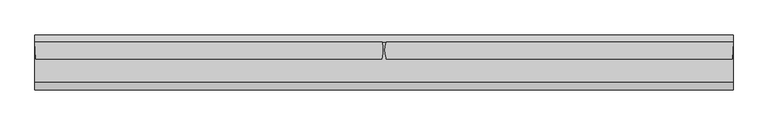
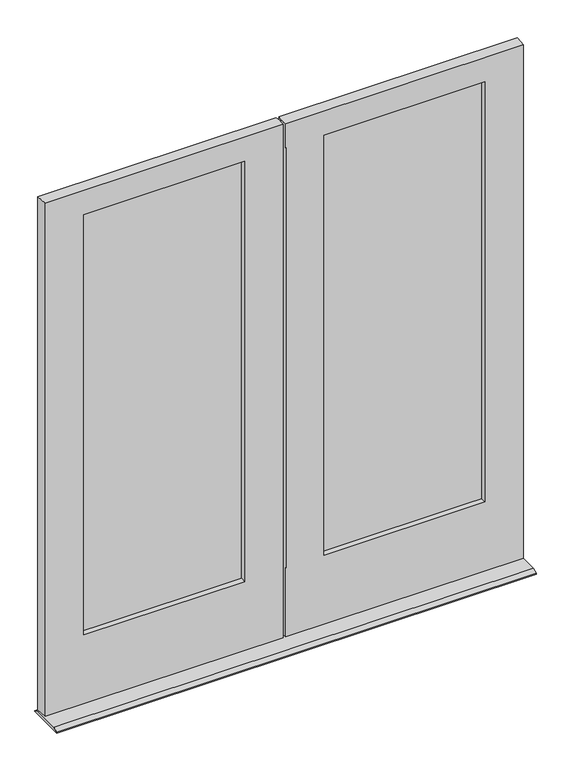
"""IFC4 building model written with IfcOpenShell, lengths in millimetres: plate geometry."""

from ifc_helpers import new_model, si_unit, frame, origin, place, context, project, spatial, polyline, circle_curve, outline, extrude, source, transform, mapped, element, save
from ifc_brep_helpers import plane_surface, cylinder_surface, advanced_brep


def plate_f8c03150(model_context):
    return source(origin(), model_context, "Body", "SolidModel", [
        extrude(outline(polyline([(-134.14375, -24.1173), (-773.509375, -24.1173), (-773.509375, -20.9423), (-134.14375, -20.9423), (-134.14375, -24.1173)])), frame((0.0, 0.0, 277.415625), z_axis=(0.0, 0.0, 1.0), x_axis=(1.0, 0.0, 0.0)), (0.0, 0.0, 1.0), 1707.753125),
        extrude(outline(polyline([(-773.509375, -13.1953), (-134.14375, -13.1953), (-134.14375, -16.3703), (-773.509375, -16.3703), (-773.509375, -13.1953)])), frame((0.0, 0.0, 277.415625), z_axis=(0.0, 0.0, 1.0), x_axis=(1.0, 0.0, 0.0)), (0.0, 0.0, 1.0), 1707.753125),
        extrude(outline(polyline([(773.509375, -24.1173), (134.14375, -24.1173), (134.14375, -20.9423), (773.509375, -20.9423), (773.509375, -24.1173)])), frame((0.0, 0.0, 277.415625), z_axis=(0.0, 0.0, 1.0), x_axis=(1.0, 0.0, 0.0)), (0.0, 0.0, 1.0), 1707.753125),
        extrude(outline(polyline([(134.14375, -13.1953), (773.509375, -13.1953), (773.509375, -16.3703), (134.14375, -16.3703), (134.14375, -13.1953)])), frame((0.0, 0.0, 277.415625), z_axis=(0.0, 0.0, 1.0), x_axis=(1.0, 0.0, 0.0)), (0.0, 0.0, 1.0), 1707.753125),
        advanced_brep(
        [(-753.6655589, -13.1953, 1965.325), (-753.6655589, -1.5875, 1965.325), (-153.9875, -1.5875, 1965.325), (-153.9875, -13.1953, 1965.325), (-773.509375, -24.1173, 1985.16875), (-773.509375, -13.1953, 1985.16875), (-134.14375, -13.1953, 1985.16875), (-134.14375, -24.1173, 1985.16875), (-758.4407637, -46.0375, 1970.1002), (-758.4407637, -24.1173, 1970.1002), (-149.2123, -24.1173, 1970.1002), (-149.2123, -46.0375, 1970.1002), (-753.6655589, -13.1953, 296.8621956), (-153.9875, -13.1953, 296.8621956), (-153.9875, -1.5875109, 296.8621956), (-753.6655589, -1.5875, 296.8621956), (-134.14375, -13.1953, 277.415625), (-773.509375, -13.1953, 277.415625), (-773.509375, -24.1173, 277.415625), (-134.14375, -24.1173, 277.415625), (-758.4407637, -46.0375, 292.0869956), (-149.2123, -46.0375, 292.0869956), (-149.2123, -24.1172113, 292.0869956), (-758.4407637, -24.1173, 292.0869956), (-903.3018725, -46.0375, 17.4625), (-903.3018725, -46.0375, 2066.925), (-906.0704725, -1.5875, 2066.925), (-906.0704725, -1.5875, 17.4625), (-4.8336934, -1.5875127, 2066.925), (-5.6038924, -46.0375, 2066.925), (-5.6038924, -46.0375, 17.4625), (-4.8336934, -1.5875127, 17.4625)],
        [
            (0, 1),
            (1, 2),
            (2, 3),
            (3, 0),
            (4, 5),
            (5, 6),
            (6, 7),
            (7, 4),
            (8, 9),
            (9, 10),
            (10, 11),
            (11, 8),
            (12, 13),
            (13, 14),
            (14, 15),
            (15, 12),
            (16, 17),
            (17, 18),
            (18, 19),
            (19, 16),
            (20, 21),
            (21, 22),
            (22, 23),
            (23, 20),
            (24, 25),
            (25, 26),
            (26, 27),
            (27, 24),
            (8, 20),
            (23, 9),
            (17, 5),
            (4, 18),
            (0, 12),
            (15, 1),
            (2, 14),
            (13, 3),
            (19, 7),
            (6, 16),
            (10, 22),
            (21, 11),
            (28, 29, circle_curve(frame((-96.8375, -22.225, 2066.925), z_axis=(0.0, 0.0, -1.0), x_axis=(0.0, -1.0, 0.0)), 94.2900117)),
            (29, 30),
            (30, 31, circle_curve(frame((-96.8375, -22.225, 17.4625), z_axis=(0.0, 0.0, 1.0), x_axis=(0.0, -1.0, 0.0)), 94.2900117)),
            (31, 28),
            (29, 25),
            (24, 30),
            (26, 28),
            (31, 27),
        ],
        [
            plane_surface(frame((-903.3018725, -1.5875, 1965.325), z_axis=(0.0, 0.0, -1.0), x_axis=(1.0, 0.0, 0.0))),
            plane_surface(frame((-903.3018725, -13.1953, 1985.16875), z_axis=(0.0, 0.0, -1.0), x_axis=(1.0, 0.0, 0.0))),
            plane_surface(frame((-903.3018725, -24.1173, 1970.1002), z_axis=(0.0, 0.0, -1.0), x_axis=(1.0, 0.0, 0.0))),
            plane_surface(frame((-5.5889985, -1.5875, 296.8621956), z_axis=(0.0, 0.0, 1.0), x_axis=(-1.0, 0.0, 0.0))),
            plane_surface(frame((-5.5889985, -13.1953, 277.415625), z_axis=(0.0, 0.0, 1.0), x_axis=(-1.0, 0.0, 0.0))),
            plane_surface(frame((-5.5889985, -24.1173, 292.0869956), z_axis=(0.0, 0.0, 1.0), x_axis=(-1.0, 0.0, 0.0))),
            plane_surface(frame((-906.0704725, -1.5875, 2066.925), z_axis=(-0.998065870687917, -0.062165245660017444, 0.0), x_axis=(0.0, 0.0, -1.0))),
            plane_surface(frame((-758.4407637, -46.0375, 2066.925), z_axis=(1.0, 0.0, 0.0), x_axis=(0.0, 0.0, -1.0))),
            plane_surface(frame((-773.509375, -24.1173, 2066.925), z_axis=(1.0, 0.0, 0.0), x_axis=(0.0, 0.0, -1.0))),
            plane_surface(frame((-753.6655589, -13.1953, 2066.925), z_axis=(1.0, 0.0, 0.0), x_axis=(0.0, 0.0, -1.0))),
            plane_surface(frame((-153.9875, -1.5875127, 2066.925), z_axis=(-1.0, 0.0, 0.0), x_axis=(0.0, 0.0, -1.0))),
            plane_surface(frame((-134.14375, -13.1920658, 2066.925), z_axis=(-1.0, 0.0, 0.0), x_axis=(0.0, 0.0, -1.0))),
            plane_surface(frame((-149.2123, -24.1171967, 2066.925), z_axis=(-1.0, 0.0, 0.0), x_axis=(0.0, 0.0, -1.0))),
            cylinder_surface(frame((-96.8375, -22.225, 2066.925), z_axis=(0.0, 0.0, 1.0), x_axis=(0.0, -1.0, 0.0)), 94.2900117),
            plane_surface(frame((-903.3018725, -46.0375, 2009.8783598), z_axis=(0.0, -1.0, 0.0), x_axis=(1.0, 0.0, 0.0))),
            plane_surface(frame((-903.3018725, -1.5875, 2009.8783598), z_axis=(0.0, 1.0, 0.0), x_axis=(1.0, 0.0, 0.0))),
            plane_surface(frame((-903.3018725, -13.1953, 1965.325), z_axis=(0.0, -1.0, 0.0), x_axis=(1.0, 0.0, 0.0))),
            plane_surface(frame((-903.3018725, -24.1173, 1985.16875), z_axis=(0.0, 1.0, 0.0), x_axis=(1.0, 0.0, 0.0))),
            plane_surface(frame((-903.3018725, -46.0375, 2066.925), z_axis=(0.0, 0.0, 1.0), x_axis=(1.0, 0.0, 0.0))),
            plane_surface(frame((-895.35, -18.6563, 17.4625), z_axis=(0.0, 0.0, -1.0), x_axis=(0.0, -1.0, 0.0))),
        ],
        [
            (0, [[1, 2, 3, 4]]),
            (1, [[5, 6, 7, 8]]),
            (2, [[9, 10, 11, 12]]),
            (3, [[13, 14, 15, 16]]),
            (4, [[17, 18, 19, 20]]),
            (5, [[21, 22, 23, 24]]),
            (6, [[25, 26, 27, 28]]),
            (7, [[-9, 29, -24, 30]]),
            (8, [[31, -5, 32, -18]]),
            (9, [[-1, 33, -16, 34]]),
            (10, [[-3, 35, -14, 36]]),
            (11, [[37, -7, 38, -20]]),
            (12, [[-11, 39, -22, 40]]),
            (13, [[41, 42, 43, 44]]),
            (14, [[45, -25, 46, -42], [-40, -21, -29, -12]]),
            (15, [[-27, 47, -44, 48], [-34, -15, -35, -2]]),
            (16, [[-6, -31, -17, -38], [-4, -36, -13, -33]]),
            (17, [[-8, -37, -19, -32], [-10, -30, -23, -39]]),
            (18, [[-26, -45, -41, -47]]),
            (19, [[-46, -28, -48, -43]]),
        ],
    ),
        advanced_brep(
        [(149.2123, -24.1171967, 1970.1002), (149.2123, -46.0375, 1970.1002), (149.2123, -46.0375, 292.0869956), (149.2123, -24.1171967, 292.0869956), (134.14375, -13.1920658, 1985.16875), (134.14375, -24.1171967, 1985.16875), (134.14375, -24.1171967, 277.415625), (134.14375, -13.1920658, 277.415625), (153.9875, -1.5875127, 1965.325), (153.9875, -13.1920658, 1965.325), (153.9875, -13.1920658, 296.8621956), (153.9875, -1.5875127, 296.8621956), (753.665625, -13.1946541, 1965.325), (753.665625, -1.5875025, 1965.325), (753.665625, -1.5875112, 296.8621956), (753.665625, -13.1920658, 296.8621956), (773.509375, -24.1172826, 1985.16875), (773.509375, -13.1947543, 1985.16875), (773.509375, -13.1920658, 277.415625), (773.509375, -24.1171967, 277.415625), (758.440825, -46.0375, 1970.1002), (758.440825, -24.1172802, 1970.1002), (758.440825, -24.1172085, 292.0869956), (758.440825, -46.0375, 292.0869956), (906.0687992, -1.5875127, 2066.925), (903.3002, -46.0375, 2066.925), (903.3002, -46.0375, 17.4625), (906.0687992, -1.5875127, 17.4625), (6.8022474, -46.0375, 1970.1002), (5.5889985, -46.0375, 1970.1002), (5.5889985, -42.8195172, 1970.1002), (5.5889985, -46.0375, 292.0869956), (6.8022474, -46.0375, 292.0869956), (5.5889985, -42.8195172, 292.0869956), (5.5889985, -42.8195172, 2066.925), (5.6038893, -1.5875127, 2066.925), (5.6038893, -1.5875127, 17.4625), (5.5889985, -42.8195172, 17.4625), (5.5889985, -46.0375, 2066.925), (5.5889985, -46.0375, 17.4625)],
        [
            (0, 1),
            (1, 2),
            (2, 3),
            (3, 0),
            (4, 5),
            (5, 6),
            (6, 7),
            (7, 4),
            (8, 9),
            (9, 10),
            (10, 11),
            (11, 8),
            (12, 13),
            (13, 14),
            (14, 15),
            (15, 12),
            (16, 17),
            (17, 18),
            (18, 19),
            (19, 16),
            (20, 21),
            (21, 22),
            (22, 23),
            (23, 20),
            (24, 25),
            (25, 26),
            (26, 27),
            (27, 24),
            (8, 13),
            (12, 9),
            (4, 17),
            (16, 5),
            (0, 21),
            (20, 1),
            (28, 29),
            (29, 30),
            (30, 28, circle_curve(frame((65.0875, -22.225, 1970.1002), z_axis=(0.0, 0.0, 1.0), x_axis=(0.0, -1.0, 0.0)), 62.9619395)),
            (10, 15),
            (14, 11),
            (6, 19),
            (18, 7),
            (31, 32),
            (32, 33, circle_curve(frame((65.0875, -22.225, 292.0869956), z_axis=(0.0, 0.0, -1.0), x_axis=(0.0, -1.0, 0.0)), 62.9619395)),
            (33, 31),
            (2, 23),
            (22, 3),
            (34, 35, circle_curve(frame((65.0875, -22.225, 2066.925), z_axis=(0.0, 0.0, -1.0), x_axis=(0.0, -1.0, 0.0)), 62.9619395)),
            (35, 36),
            (36, 37, circle_curve(frame((65.0875, -22.225, 17.4625), z_axis=(0.0, 0.0, 1.0), x_axis=(0.0, -1.0, 0.0)), 62.9619395)),
            (37, 33),
            (32, 28),
            (30, 34),
            (29, 38),
            (38, 34),
            (27, 36),
            (35, 24),
            (31, 39),
            (39, 26),
            (25, 38),
            (37, 39),
        ],
        [
            plane_surface(frame((149.2123, -46.0375, 2066.925), z_axis=(1.0, 0.0, 0.0), x_axis=(0.0, 0.0, -1.0))),
            plane_surface(frame((134.14375, -24.1171967, 2066.925), z_axis=(1.0, 0.0, 0.0), x_axis=(0.0, 0.0, -1.0))),
            plane_surface(frame((153.9875, -13.1920658, 2066.925), z_axis=(1.0, 0.0, 0.0), x_axis=(0.0, 0.0, -1.0))),
            plane_surface(frame((753.665625, -1.5875127, 2066.925), z_axis=(-1.0, 0.0, 0.0), x_axis=(0.0, 0.0, -1.0))),
            plane_surface(frame((773.509375, -13.1920658, 2066.925), z_axis=(-1.0, 0.0, 0.0), x_axis=(0.0, 0.0, -1.0))),
            plane_surface(frame((758.440825, -24.1171967, 2066.925), z_axis=(-1.0, 0.0, 0.0), x_axis=(0.0, 0.0, -1.0))),
            plane_surface(frame((903.3002, -46.0375, 2066.925), z_axis=(0.9980658706878365, -0.06216524566130957, 0.0), x_axis=(0.0, 0.0, -1.0))),
            plane_surface(frame((5.5889985, -1.5875, 1965.325), z_axis=(0.0, 0.0, -1.0), x_axis=(1.0, 0.0, 0.0))),
            plane_surface(frame((5.5889985, -13.1953, 1985.16875), z_axis=(0.0, 0.0, -1.0), x_axis=(1.0, 0.0, 0.0))),
            plane_surface(frame((5.5889985, -24.1173, 1970.1002), z_axis=(0.0, 0.0, -1.0), x_axis=(1.0, 0.0, 0.0))),
            plane_surface(frame((903.3002, -1.5875, 296.8621956), z_axis=(0.0, 0.0, 1.0), x_axis=(-1.0, 0.0, 0.0))),
            plane_surface(frame((903.3002, -13.1953, 277.415625), z_axis=(0.0, 0.0, 1.0), x_axis=(-1.0, 0.0, 0.0))),
            plane_surface(frame((903.3002, -24.1173, 292.0869956), z_axis=(0.0, 0.0, 1.0), x_axis=(-1.0, 0.0, 0.0))),
            cylinder_surface(frame((65.0875, -22.225, 2066.925), z_axis=(0.0, 0.0, 1.0), x_axis=(0.0, -1.0, 0.0)), 62.9619395),
            plane_surface(frame((5.5889985, -18.6563, 2082.8), z_axis=(-1.0, 0.0, 0.0), x_axis=(0.0, -1.0, 0.0))),
            plane_surface(frame((55.4591402, -1.5875127, 2066.925), z_axis=(0.0, 1.0, 0.0), x_axis=(0.0, 0.0, -1.0))),
            plane_surface(frame((55.4591402, -46.0375, 2066.925), z_axis=(0.0, -1.0, 0.0), x_axis=(0.0, 0.0, -1.0))),
            plane_surface(frame((149.2123, -24.1171967, 2066.925), z_axis=(0.0, 1.0, 0.0), x_axis=(0.0, 0.0, -1.0))),
            plane_surface(frame((134.14375, -13.1920658, 2066.925), z_axis=(0.0, -1.0, 0.0), x_axis=(0.0, 0.0, -1.0))),
            plane_surface(frame((5.5889985, -18.6563, 0.0), z_axis=(-1.0, 0.0, 0.0), x_axis=(0.0, -1.0, 0.0))),
            plane_surface(frame((-903.3018725, -46.0375, 2066.925), z_axis=(0.0, 0.0, 1.0), x_axis=(1.0, 0.0, 0.0))),
            plane_surface(frame((-895.35, -18.6563, 17.4625), z_axis=(0.0, 0.0, -1.0), x_axis=(0.0, -1.0, 0.0))),
        ],
        [
            (0, [[1, 2, 3, 4]]),
            (1, [[5, 6, 7, 8]]),
            (2, [[9, 10, 11, 12]]),
            (3, [[13, 14, 15, 16]]),
            (4, [[17, 18, 19, 20]]),
            (5, [[21, 22, 23, 24]]),
            (6, [[25, 26, 27, 28]]),
            (7, [[-9, 29, -13, 30]]),
            (8, [[-5, 31, -17, 32]]),
            (9, [[-1, 33, -21, 34]]),
            (9, [[35, 36, 37]]),
            (10, [[38, -15, 39, -11]]),
            (11, [[-7, 40, -19, 41]]),
            (12, [[42, 43, 44]]),
            (12, [[45, -23, 46, -3]]),
            (13, [[47, 48, 49, 50, -43, 51, -37, 52]]),
            (14, [[53, 54, -52, -36]]),
            (15, [[-28, 55, -48, 56], [-29, -12, -39, -14]]),
            (16, [[-53, -35, -51, -42, 57, 58, -26, 59], [-34, -24, -45, -2]]),
            (17, [[-32, -20, -40, -6], [-33, -4, -46, -22]]),
            (18, [[-31, -8, -41, -18], [-30, -16, -38, -10]]),
            (19, [[-57, -44, -50, 60]]),
            (20, [[-47, -54, -59, -25, -56]]),
            (21, [[-27, -58, -60, -49, -55]]),
        ],
    ),
        extrude(outline(polyline([(-1.5881087, 12.7), (17.4625, 3.1746956), (17.4625, 0.0), (-125.4125, 0.0), (-125.4125, 3.1746956), (-106.3618913, 12.7), (-1.5881087, 12.7)])), frame((-906.0704725, 0.0, 0.0), z_axis=(1.0, 0.0, 0.0), x_axis=(0.0, 1.0, 0.0)), (0.0, 0.0, 1.0), 1812.1392717),
    ])


if __name__ == "__main__":
    model = new_model("IFC4")
    model_context = context("Model", 3, world=origin())
    ifc_project = project(units=[si_unit("LENGTHUNIT", "METRE", prefix="MILLI")], contexts=[model_context])
    site = spatial("IfcSite", under=ifc_project)
    building = spatial("IfcBuilding", under=site)
    placement = place(None, origin())
    plate_shape = plate_f8c03150(model_context)
    element("IfcPlate", 1, at=placement, inside=building, context=model_context, shape_type="MappedRepresentation", body=[
        mapped(plate_shape, transform((0.0, 0.0, 0.0), x_axis=(1.0, 0.0, 0.0), y_axis=(0.0, 1.0, 0.0), z_axis=(0.0, 0.0, 1.0))),
    ])
    save(model, "model.ifc")
